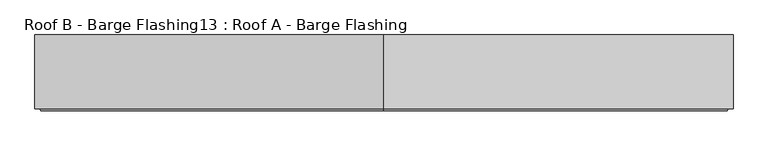
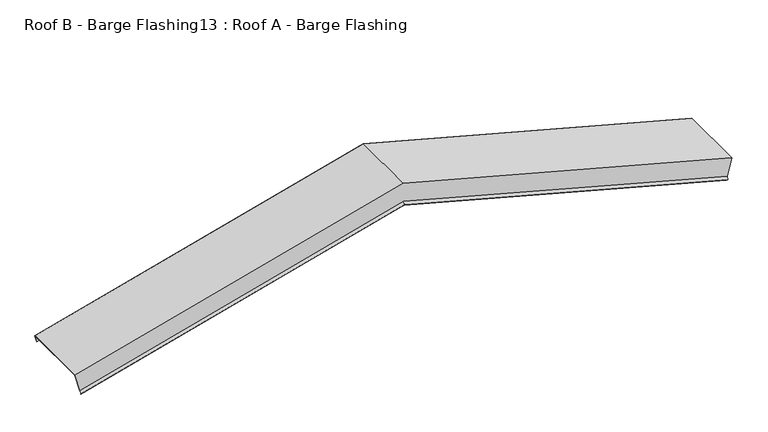
"""IFC4 building model written with IfcOpenShell, lengths in millimetres: proxy geometry, Roof B - Barge Flashing13 : Roof A - Barge Flashing."""

from ifc_helpers import new_model, si_unit, origin, place, context, project, spatial, faceted_brep, source, transform, mapped, element, save


def roof_b_barge_flashing13_roof_a_barge_flashing_4405d25b(model_context):
    return source(origin(), model_context, "Body", "Brep", [
        faceted_brep([(29082.2541975, -24192.6573554, 3421.0347541), (29070.2191119, -24192.6573554, 3376.1192032), (29070.2191119, -24191.6573554, 3376.1192032), (29082.5130166, -24191.6573554, 3422.00068), (29082.5130166, -24641.7919692, 3422.00068), (29051.778255, -24641.7919692, 3307.2969881), (29048.1180009, -24655.9341048, 3293.6367341), (29045.3728104, -24645.3275031, 3283.3915435), (29045.5558231, -24644.6203963, 3284.0745562), (29048.1180009, -24654.5198913, 3293.6367341), (29051.6710486, -24640.7919692, 3306.8968885), (29082.2541975, -24640.7919692, 3421.0347541), (26950.078983, -24192.6573554, 3992.349381), (24817.9037685, -24192.6573554, 3421.0347541), (24829.9388541, -24192.6573554, 3376.1192032), (26950.078983, -24192.6573554, 3944.2090386), (26950.078983, -24191.6573554, 3944.2090386), (24829.9388541, -24191.6573554, 3376.1192032), (24817.6449495, -24191.6573554, 3422.00068), (26950.078983, -24191.6573554, 3993.3846572), (26950.078983, -24641.7919692, 3993.3846572), (24817.6449495, -24641.7919692, 3422.00068), (24848.3797111, -24641.7919692, 3307.2969881), (26950.078983, -24641.7919692, 3870.4456108), (26950.078983, -24655.9341048, 3855.8045946), (26950.078983, -24645.3275031, 3844.8238325), (26950.078983, -24644.6203963, 3845.5558833), (26950.078983, -24654.5198913, 3855.8045946), (26950.078983, -24640.7919692, 3870.0167853), (24848.4869174, -24640.7919692, 3306.8968885), (24817.9037685, -24640.7919692, 3421.0347541), (26950.078983, -24640.7919692, 3992.349381), (24852.0399651, -24654.5198913, 3293.6367341), (24854.6021429, -24644.6203963, 3284.0745562), (24854.7851556, -24645.3275031, 3283.3915435), (24852.0399651, -24655.9341048, 3293.6367341)], [[[0, 1, 2, 3, 4, 5, 6, 7, 8, 9, 10, 11]], [[1, 0, 12, 13, 14, 15]], [[2, 1, 15, 16]], [[3, 2, 16, 17, 18, 19]], [[4, 3, 19, 20]], [[5, 4, 20, 21, 22, 23]], [[6, 5, 23, 24]], [[7, 6, 24, 25]], [[8, 7, 25, 26]], [[9, 8, 26, 27]], [[10, 9, 27, 28]], [[11, 10, 28, 29, 30, 31]], [[0, 11, 31, 12]], [[13, 30, 29, 32, 33, 34, 35, 22, 21, 18, 17, 14]], [[16, 15, 14, 17]], [[20, 19, 18, 21]], [[24, 23, 22, 35]], [[25, 24, 35, 34]], [[26, 25, 34, 33]], [[27, 26, 33, 32]], [[28, 27, 32, 29]], [[12, 31, 30, 13]]]),
    ])


if __name__ == "__main__":
    model = new_model("IFC4")
    model_context = context("Model", 3, world=origin())
    ifc_project = project(units=[si_unit("LENGTHUNIT", "METRE", prefix="MILLI")], contexts=[model_context])
    site = spatial("IfcSite", under=ifc_project)
    building = spatial("IfcBuilding", under=site)
    placement = place(None, origin())
    roof_b_barge_flashing13_roof_a_barge_flashing_shape = roof_b_barge_flashing13_roof_a_barge_flashing_4405d25b(model_context)
    element("IfcBuildingElementProxy", 1, Name="Roof B - Barge Flashing13 : Roof A - Barge Flashing", ObjectType="Roof B - Barge Flashing13 : Roof A - Barge Flashing", at=placement, inside=building, context=model_context, shape_type="MappedRepresentation", body=[
        mapped(roof_b_barge_flashing13_roof_a_barge_flashing_shape, transform((0.0, 0.0, 0.0), x_axis=(1.0, 0.0, 0.0), y_axis=(0.0, 1.0, 0.0), z_axis=(0.0, 0.0, 1.0))),
    ])
    save(model, "model.ifc")
